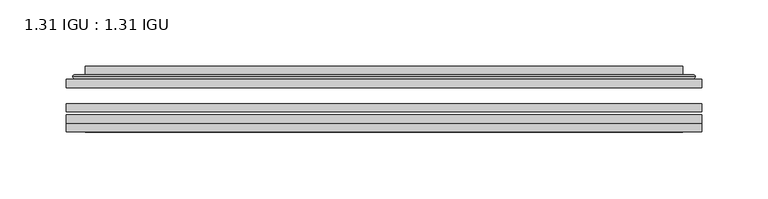
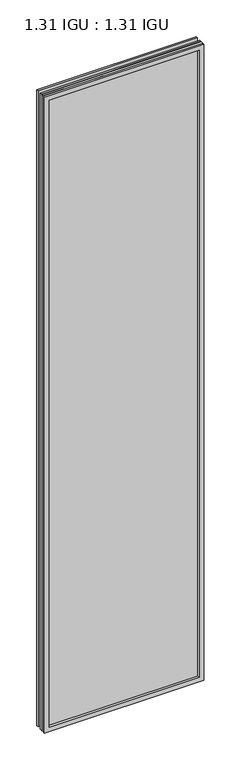
"""IFC4 building model written with IfcOpenShell, lengths in millimetres: plate geometry, 1.31 IGU : 1.31 IGU."""

from ifc_helpers import new_model, si_unit, frame, origin, place, context, project, spatial, polyline, ellipse_curve, outline, extrude, faceted_brep, source, transform, mapped, element, save
from ifc_brep_helpers import plane_surface, cylinder_surface, advanced_brep


def plate_1_31_igu_1_31_igu_147ffec9(model_context):
    return source(origin(), model_context, "Body", "SolidModel", [
        extrude(outline(polyline([(239.726675, -63.2975937), (239.726675, -69.6475938), (-239.7125, -69.6475938), (-239.7125, -63.2975937), (239.726675, -63.2975937)])), frame((0.0, 0.0, -14.2875), z_axis=(0.0, 0.0, 1.0), x_axis=(1.0, 0.0, 0.0)), (0.0, 0.0, 1.0), 2022.4787979),
        extrude(outline(polyline([(-239.7125, -78.2835938), (-239.7125, -71.9330887), (239.726675, -71.9330887), (239.726675, -78.2835938), (-239.7125, -78.2835938)])), frame((0.0, 0.0, -14.2875), z_axis=(0.0, 0.0, 1.0), x_axis=(1.0, 0.0, 0.0)), (0.0, 0.0, 1.0), 2022.4787979),
        extrude(outline(polyline([(239.726675, -44.9587937), (239.726675, -51.3087938), (-239.7125, -51.3087938), (-239.7125, -44.9587937), (239.726675, -44.9587937)])), frame((0.0, 0.0, -14.2875), z_axis=(0.0, 0.0, 1.0), x_axis=(1.0, 0.0, 0.0)), (0.0, 0.0, 1.0), 2022.4787979),
        faceted_brep([(-239.7252, -84.6335937, 2008.2002), (-239.7252, -78.2835937, 2008.2002), (-239.7252, -78.2835937, -14.3002), (-239.7252, -84.6335937, -14.3002), (239.7252, -78.2835937, -14.3002), (239.7252, -84.6335937, -14.3002), (239.7252, -78.2835937, 2008.2002), (239.7252, -84.6335937, 2008.2002), (-224.5272559, -78.2835937, 0.8977441), (224.5272559, -78.2835937, 0.8977441), (224.5272559, -78.2835937, 1993.0022559), (-224.5272559, -78.2835937, 1993.0022559), (-225.4196902, -84.6335937, 1993.8946902), (225.4196902, -84.6335937, 1993.8946902), (225.4196902, -84.6335937, 0.0053098), (-225.4196902, -84.6335937, 0.0053098)], [[[0, 1, 2, 3]], [[3, 2, 4, 5]], [[5, 4, 6, 7]], [[1, 6, 4, 2], [8, 9, 10, 11]], [[7, 6, 1, 0]], [[3, 5, 7, 0], [12, 13, 14, 15]], [[11, 12, 15, 8]], [[8, 15, 14, 9]], [[9, 14, 13, 10]], [[10, 13, 12, 11]]]),
        advanced_brep(
        [(-232.471219, -44.9587937, 2000.946219), (-234.8254244, -42.9691271, 2003.3004244), (-234.8254244, -42.9691271, -9.4004244), (-232.471219, -44.9587937, -7.046219), (-223.3968939, -41.1187568, 1991.8718939), (-218.4620621, -44.9587937, 1986.9370621), (-218.4620621, -44.9587937, 6.9629379), (-223.3968939, -41.1187568, 2.0281061), (-224.4289217, -35.7215256, 1992.9039217), (-224.4289217, -35.7215256, 0.9960783), (-225.4195784, -35.3225507, 1993.8945784), (-225.4195784, -35.3225507, 0.0054216), (-225.4195784, -41.7837937, 1993.8945784), (-225.4195784, -41.7837937, 0.0054216), (-233.8236349, -41.7837937, 2002.2986349), (-233.8236349, -41.7837937, -8.3986349), (234.8254244, -42.9691271, -9.4004244), (232.471219, -44.9587937, -7.046219), (218.4620621, -44.9587937, 6.9629379), (223.3968939, -41.1187568, 2.0281061), (224.4289217, -35.7215256, 0.9960783), (225.4195784, -35.3225507, 0.0054216), (225.4195784, -41.7837937, 0.0054216), (233.8236349, -41.7837937, -8.3986349), (234.8254244, -42.9691271, 2003.3004244), (232.471219, -44.9587937, 2000.946219), (218.4620621, -44.9587937, 1986.9370621), (223.3968939, -41.1187568, 1991.8718939), (224.4289217, -35.7215256, 1992.9039217), (225.4195784, -35.3225507, 1993.8945784), (225.4195784, -41.7837937, 1993.8945784), (233.8236349, -41.7837937, 2002.2986349)],
        [
            (0, 1, ellipse_curve(frame((-232.471219, -42.5711937, 2000.946219), z_axis=(-0.7071067811865475, 0.0, -0.7071067811865475), x_axis=(-0.7071067811865474, 0.0, 0.7071067811865476)), 3.3765763, 2.3876)),
            (1, 2),
            (2, 3, ellipse_curve(frame((-232.471219, -42.5711937, -7.046219), z_axis=(-0.7071067811865475, 0.0, 0.7071067811865475), x_axis=(0.7071067811865474, 0.0, 0.7071067811865476)), 3.3765763, 2.3876)),
            (3, 0),
            (4, 5),
            (5, 6),
            (6, 7),
            (7, 4),
            (8, 4),
            (7, 9),
            (9, 8),
            (10, 8, ellipse_curve(frame((-225.0526219, -35.840786, 1993.5276219), z_axis=(-0.7071067811865475, 0.0, -0.7071067811865475), x_axis=(-0.7071067811865474, 0.0, 0.7071067811865476)), 0.8980256, 0.635)),
            (9, 11, ellipse_curve(frame((-225.0526219, -35.840786, 0.3723781), z_axis=(-0.7071067811865475, 0.0, 0.7071067811865475), x_axis=(0.7071067811865474, 0.0, 0.7071067811865476)), 0.8980256, 0.635)),
            (11, 10),
            (12, 10),
            (11, 13),
            (13, 12),
            (1, 14, ellipse_curve(frame((-233.8236349, -42.7997937, 2002.2986349), z_axis=(-0.7071067811865475, 0.0, -0.7071067811865475), x_axis=(-0.7071067811865474, 0.0, 0.7071067811865476)), 1.436841, 1.016)),
            (14, 15),
            (15, 2, ellipse_curve(frame((-233.8236349, -42.7997937, -8.3986349), z_axis=(-0.7071067811865475, 0.0, 0.7071067811865475), x_axis=(0.7071067811865474, 0.0, 0.7071067811865476)), 1.436841, 1.016)),
            (2, 16),
            (16, 17, ellipse_curve(frame((232.471219, -42.5711937, -7.046219), z_axis=(-0.7071067811865475, 0.0, -0.7071067811865475), x_axis=(-0.7071067811865476, 0.0, 0.7071067811865474)), 3.3765763, 2.3876)),
            (17, 3),
            (6, 18),
            (18, 19),
            (19, 7),
            (19, 20),
            (20, 9),
            (20, 21, ellipse_curve(frame((225.0526219, -35.840786, 0.3723781), z_axis=(-0.7071067811865475, 0.0, -0.7071067811865475), x_axis=(-0.7071067811865476, 0.0, 0.7071067811865474)), 0.8980256, 0.635)),
            (21, 11),
            (21, 22),
            (22, 13),
            (15, 23),
            (23, 16, ellipse_curve(frame((233.8236349, -42.7997937, -8.3986349), z_axis=(-0.7071067811865475, 0.0, -0.7071067811865475), x_axis=(-0.7071067811865476, 0.0, 0.7071067811865474)), 1.436841, 1.016)),
            (16, 24),
            (24, 25, ellipse_curve(frame((232.471219, -42.5711937, 2000.946219), z_axis=(0.7071067811865475, 0.0, -0.7071067811865475), x_axis=(-0.7071067811865474, 0.0, -0.7071067811865476)), 3.3765763, 2.3876)),
            (25, 17),
            (18, 26),
            (26, 27),
            (27, 19),
            (27, 28),
            (28, 20),
            (28, 29, ellipse_curve(frame((225.0526219, -35.840786, 1993.5276219), z_axis=(0.7071067811865475, 0.0, -0.7071067811865475), x_axis=(-0.7071067811865474, 0.0, -0.7071067811865476)), 0.8980256, 0.635)),
            (29, 21),
            (29, 30),
            (30, 22),
            (23, 31),
            (31, 24, ellipse_curve(frame((233.8236349, -42.7997937, 2002.2986349), z_axis=(0.7071067811865475, 0.0, -0.7071067811865475), x_axis=(-0.7071067811865474, 0.0, -0.7071067811865476)), 1.436841, 1.016)),
            (24, 1),
            (0, 25),
            (5, 26),
            (4, 27),
            (8, 28),
            (10, 29),
            (12, 30),
            (14, 31),
        ],
        [
            cylinder_surface(frame((-232.471219, -42.5711937, 2025.65), z_axis=(0.0, 0.0, 1.0), x_axis=(-1.0, 0.0, 0.0)), 2.3876),
            plane_surface(frame((-218.4620621, -44.9587937, 1986.9370621), z_axis=(0.6141233906514794, 0.7892100234124821, 0.0), x_axis=(0.0, 0.0, -1.0))),
            plane_surface(frame((-223.3968939, -41.1187568, 1991.8718939), z_axis=(0.9822050625507729, 0.18781164793386076, 0.0), x_axis=(0.0, 0.0, -1.0))),
            cylinder_surface(frame((-225.0526219, -35.840786, 2025.65), z_axis=(0.0, 0.0, 1.0), x_axis=(-1.0, 0.0, 0.0)), 0.635),
            plane_surface(frame((-225.4195784, -35.3225507, 1993.8945784), z_axis=(-1.0, 0.0, 0.0), x_axis=(0.0, 0.0, -1.0))),
            cylinder_surface(frame((-233.8236349, -42.7997937, 2025.65), z_axis=(0.0, 0.0, 1.0), x_axis=(-1.0, 0.0, 0.0)), 1.016),
            cylinder_surface(frame((-257.175, -42.5711937, -7.046219), z_axis=(-1.0, 0.0, 0.0), x_axis=(0.0, 0.0, -1.0)), 2.3876),
            plane_surface(frame((-218.4620621, -44.9587937, 6.9629379), z_axis=(0.0, 0.7892100234124841, 0.6141233906514768), x_axis=(1.0, 0.0, 0.0))),
            plane_surface(frame((-223.3968939, -41.1187568, 2.0281061), z_axis=(0.0, 0.18781164793386393, 0.9822050625507723), x_axis=(1.0, 0.0, 0.0))),
            cylinder_surface(frame((-257.175, -35.840786, 0.3723781), z_axis=(-1.0, 0.0, 0.0), x_axis=(0.0, 0.0, -1.0)), 0.635),
            plane_surface(frame((-225.4195784, -35.3225507, 0.0054216), z_axis=(0.0, 0.0, -1.0), x_axis=(1.0, 0.0, 0.0))),
            cylinder_surface(frame((-257.175, -42.7997937, -8.3986349), z_axis=(-1.0, 0.0, 0.0), x_axis=(0.0, 0.0, -1.0)), 1.016),
            cylinder_surface(frame((232.471219, -42.5711937, -31.75), z_axis=(0.0, 0.0, -1.0), x_axis=(1.0, 0.0, 0.0)), 2.3876),
            plane_surface(frame((218.4620621, -44.9587937, 6.9629379), z_axis=(-0.6141233906514743, 0.7892100234124861, 0.0), x_axis=(0.0, 0.0, 1.0))),
            plane_surface(frame((223.3968939, -41.1187568, 2.0281061), z_axis=(-0.9822050625507718, 0.1878116479338671, 0.0), x_axis=(0.0, 0.0, 1.0))),
            cylinder_surface(frame((225.0526219, -35.840786, -31.75), z_axis=(0.0, 0.0, -1.0), x_axis=(1.0, 0.0, 0.0)), 0.635),
            plane_surface(frame((225.4195784, -35.3225507, 0.0054216), z_axis=(1.0, 0.0, 0.0), x_axis=(0.0, 0.0, 1.0))),
            cylinder_surface(frame((233.8236349, -42.7997937, -31.75), z_axis=(0.0, 0.0, -1.0), x_axis=(1.0, 0.0, 0.0)), 1.016),
            cylinder_surface(frame((257.175, -42.5711937, 2000.946219), z_axis=(1.0, 0.0, 0.0), x_axis=(0.0, 0.0, 1.0)), 2.3876),
            plane_surface(frame((232.471219, -44.9587937, 2000.946219), z_axis=(0.0, -1.0, 0.0), x_axis=(-1.0, 0.0, 0.0))),
            plane_surface(frame((218.4620621, -44.9587937, 1986.9370621), z_axis=(0.0, 0.7892100234124841, -0.6141233906514768), x_axis=(-1.0, 0.0, 0.0))),
            plane_surface(frame((223.3968939, -41.1187568, 1991.8718939), z_axis=(0.0, 0.18781164793386393, -0.9822050625507723), x_axis=(-1.0, 0.0, 0.0))),
            cylinder_surface(frame((257.175, -35.840786, 1993.5276219), z_axis=(1.0, 0.0, 0.0), x_axis=(0.0, 0.0, 1.0)), 0.635),
            plane_surface(frame((225.4195784, -35.3225507, 1993.8945784), z_axis=(0.0, 0.0, 1.0), x_axis=(-1.0, 0.0, 0.0))),
            plane_surface(frame((225.4195784, -41.7837937, 1993.8945784), z_axis=(0.0, 1.0, 0.0), x_axis=(-1.0, 0.0, 0.0))),
            cylinder_surface(frame((257.175, -42.7997937, 2002.2986349), z_axis=(1.0, 0.0, 0.0), x_axis=(0.0, 0.0, 1.0)), 1.016),
        ],
        [
            (0, [[1, 2, 3, 4]]),
            (1, [[5, 6, 7, 8]]),
            (2, [[9, -8, 10, 11]]),
            (3, [[12, -11, 13, 14]]),
            (4, [[15, -14, 16, 17]]),
            (5, [[18, 19, 20, -2]]),
            (6, [[-3, 21, 22, 23]]),
            (7, [[-7, 24, 25, 26]]),
            (8, [[-10, -26, 27, 28]]),
            (9, [[-13, -28, 29, 30]]),
            (10, [[-16, -30, 31, 32]]),
            (11, [[-20, 33, 34, -21]]),
            (12, [[-22, 35, 36, 37]]),
            (13, [[-25, 38, 39, 40]]),
            (14, [[-27, -40, 41, 42]]),
            (15, [[-29, -42, 43, 44]]),
            (16, [[-31, -44, 45, 46]]),
            (17, [[-34, 47, 48, -35]]),
            (18, [[-36, 49, -1, 50]]),
            (19, [[-23, -37, -50, -4], [51, -38, -24, -6]]),
            (20, [[-39, -51, -5, 52]]),
            (21, [[-41, -52, -9, 53]]),
            (22, [[-43, -53, -12, 54]]),
            (23, [[-45, -54, -15, 55]]),
            (24, [[56, -47, -33, -19], [-32, -46, -55, -17]]),
            (25, [[-48, -56, -18, -49]]),
        ],
    ),
    ])


if __name__ == "__main__":
    model = new_model("IFC4")
    model_context = context("Model", 3, world=origin())
    ifc_project = project(units=[si_unit("LENGTHUNIT", "METRE", prefix="MILLI")], contexts=[model_context])
    site = spatial("IfcSite", under=ifc_project)
    building = spatial("IfcBuilding", under=site)
    placement = place(None, origin())
    plate_1_31_igu_1_31_igu_shape = plate_1_31_igu_1_31_igu_147ffec9(model_context)
    element("IfcPlate", 1, ObjectType="1.31 IGU : 1.31 IGU", at=placement, inside=building, context=model_context, shape_type="MappedRepresentation", body=[
        mapped(plate_1_31_igu_1_31_igu_shape, transform((0.0, 0.0, 0.0), x_axis=(1.0, 0.0, 0.0), y_axis=(0.0, 1.0, 0.0), z_axis=(0.0, 0.0, 1.0))),
    ])
    save(model, "model.ifc")
